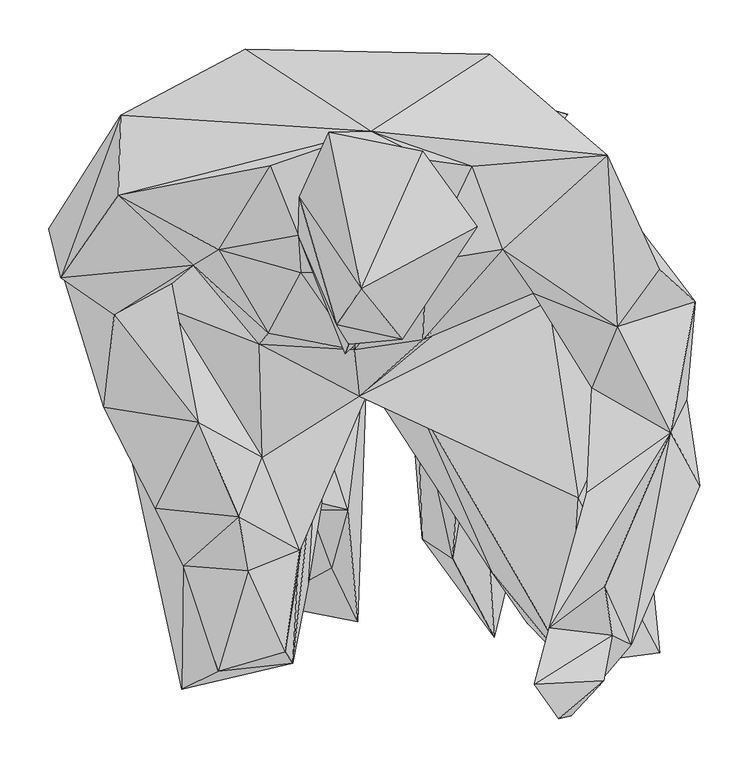
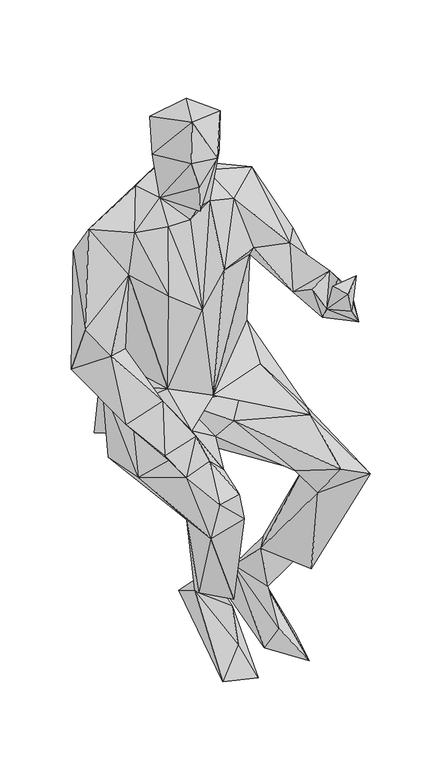
"""IFC4 building model written with IfcOpenShell, lengths in millimetres: geographic element geometry."""

from ifc_helpers import new_model, si_unit, origin, place, context, project, spatial, faceted_brep, source, transform, mapped, element, save


def geographic_element_f1001713(model_context):
    return source(origin(), model_context, "Body", "Brep", [
        faceted_brep([(172.0615604, 258.8738469, 990.7625791), (-32.4610132, 89.8290936, 728.9910822), (186.1853577, 298.4310352, 758.1711318), (32.85028, 147.4454385, 1056.8692554), (-37.2801679, 137.2381283, 963.6410356), (-134.457661, 142.9976803, 752.2099521), (-131.4001365, 27.1016561, 690.6930123), (191.3947588, -14.0195366, 653.1934061), (160.6735418, 186.4495105, 699.8765382), (-89.8082469, 137.297718, 693.4646282), (74.8175299, 135.271935, 677.8780734), (247.2842454, 101.9181969, 587.8771471), (274.8804356, -172.668291, 537.1643238), (180.6442715, -184.9043644, 591.2733005), (24.8872095, 85.5839167, 631.3974779), (-20.9766754, 99.9678957, 592.2315644), (102.7920606, -89.3544395, 556.8014315), (139.4049061, -142.148642, 508.2335409), (163.7916396, -17.4981055, 491.6241704), (6.3464273, 318.7175354, 443.5676878), (-164.3358151, -48.5877538, 499.8176334), (-93.1438196, -67.9994217, 615.4117508), (-155.6756328, -33.7797548, 719.2455441), (-145.6957292, -88.507383, 671.9059861), (-107.8773426, -171.4607754, 607.4844524), (-94.9848879, -90.0912646, 509.1411408), (-196.6687417, 62.8019191, 783.0613159), (-223.828, 177.6552774, 714.4025476), (-293.2414674, 78.4480339, 734.7108631), (-240.704459, -24.7680467, 683.3228384), (-282.858398, 173.0436512, 886.4332924), (-223.7137826, 204.745007, 870.0255644), (-216.4637122, -2.9582234, 647.5759069), (-212.085453, -83.4787031, 641.0775105), (-349.4904296, 261.0515622, 816.4120812), (-202.2048359, 223.6373248, 1076.8966542), (-337.4589044, 210.6852803, 964.9906039), (-228.2320531, 352.9431478, 995.0186487), (-207.3358123, 347.3971145, 761.2514402), (-148.8128435, 444.5160274, 1010.7391948), (-275.9310569, 377.0141257, 1085.6382713), (-278.4841324, 295.0726115, 1203.2441944), (-20.6152124, 360.4156926, 1293.5201962), (101.1764022, 439.3324202, 1059.4432223), (-14.7821799, 441.1933368, 838.7868897), (103.0879753, 398.3512472, 853.9851798), (-40.6872402, 438.5171478, 632.5831335), (221.4000347, 336.0051173, 1197.1609444), (190.5993647, 344.8708909, 1023.3754985), (180.8150835, 378.0736578, 479.1239739), (160.5374942, 350.786324, 708.727351), (-202.6000743, 399.4515191, 484.4197571), (131.9214685, 361.5189448, 502.3528275), (-147.6380956, 382.187779, 472.3952354), (193.293435, 250.8343129, 516.1548789), (-242.9159254, 287.3647475, 716.2942202), (-220.4814824, 295.3675353, 478.2888234), (-271.625277, 54.9431138, 580.1553654), (-210.3873912, -83.9235772, 510.8382043), (254.5968859, -58.511059, 490.6341373), (92.3881296, 52.9818938, 270.8934214), (56.9549866, 4.340515, 275.3709819), (155.7233016, -36.114357, 253.3615498), (150.3023785, -88.0704586, 236.3083333), (91.0664115, 84.8957513, 150.7412922), (67.1106643, -13.5021692, 165.3477082), (27.0112899, 89.5808477, 184.5895774), (63.3202858, -76.2047907, 74.9873435), (32.0568528, -55.8368408, 13.1258134), (13.8010716, 164.3149683, 108.6548851), (105.8992358, -156.6388737, 8.6661343), (136.4933683, -30.5037625, 9.514179), (-110.3579239, 49.3235843, 177.9233791), (-143.8447368, -27.9060077, 228.0056299), (-213.791487, -210.0557063, 530.5199558), (-176.664231, -191.5556467, 610.647194), (-100.1982826, -183.1030078, 536.1832314), (-84.41314, -102.5974291, 232.6321424), (-73.7698889, 63.8287134, 208.2136546), (-44.2760358, -26.4542044, 152.6300292), (-24.256637, 135.8985437, 129.7864749), (-103.2319727, 142.840786, 118.5930878), (-70.5882377, -19.639069, 204.8065786), (-33.958498, -140.476389, -4.7446768), (-60.5130002, -85.3297029, 75.2107715), (-127.6881977, -122.5056037, 4.9333516), (-125.3982916, 153.8107376, 1028.1023852), (-91.8747324, 215.9761313, 1193.8253494), (-175.9790458, 239.1652584, 1190.696344), (-26.3985951, 218.5520354, 1190.7142254), (36.2345125, 227.0573052, 1222.6707784), (-94.6502376, 253.9385228, 1260.4474866), (-123.480758, 325.3211637, 1264.9290405), (83.2949941, 324.5128353, 1242.8183402), (-63.2309086, 359.5080629, 1437.8257812), (38.6823225, 330.7619352, 1308.7919789), (114.1919927, 240.0480777, 1194.8432775), (231.1614723, 160.7986669, 1064.9068224), (274.487194, 219.1558006, 1060.2773297), (145.5765647, 194.8465234, 1058.2128632), (75.5384704, 247.9843169, 1353.2824349), (-7.2361779, 212.9345063, 1223.6986009), (-46.7744874, 132.7744855, 1276.8511614), (-43.0834139, 142.4743516, 1343.2340456), (11.8229639, 147.9916107, 1410.4400699), (88.2819657, 262.9641262, 1460.2849303), (-55.0920733, 162.5126282, 1407.6417511), (-93.5896847, 292.8392851, 1371.858103), (-30.3389203, 199.3876373, 1505.2550845), (32.8482944, 339.6733361, 1472.0532712), (205.1610921, 98.1973323, 959.5308781), (285.9447265, 52.4585688, 1024.8918407), (311.1427388, 186.1009575, 957.2310925), (302.4607263, 86.1251195, 883.4959159), (315.9112593, -1.9463303, 988.9353391), (245.6358194, -164.6426747, 1011.9289035), (226.0483773, -15.0373874, 942.9235342), (161.7221812, -146.8585562, 1069.590913), (218.4011015, -104.7304483, 1119.0684895), (226.360199, -154.8226308, 1100.1930101), (184.1893769, -236.9071216, 1110.146032), (200.0172263, -8.9888683, 1035.0633732), (146.7533093, -205.0617908, 1180.7949397), (217.5957534, -201.2545293, 1186.5435692), (171.4319715, -240.2059555, 1170.1218937)], [[[0, 1, 2]], [[0, 3, 1]], [[1, 4, 5]], [[5, 6, 1]], [[7, 8, 1]], [[9, 10, 1]], [[10, 7, 1]], [[1, 6, 9]], [[3, 4, 1]], [[8, 2, 1]], [[11, 8, 7]], [[11, 2, 8]], [[11, 7, 12]], [[12, 7, 13]], [[13, 7, 14]], [[7, 10, 14]], [[14, 10, 9]], [[14, 9, 15]], [[15, 9, 6]], [[15, 16, 14]], [[16, 13, 14]], [[12, 13, 17]], [[16, 17, 13]], [[18, 16, 15]], [[16, 18, 17]], [[19, 18, 15]], [[15, 20, 19]], [[15, 21, 20]], [[21, 15, 6]], [[21, 6, 22]], [[23, 24, 21]], [[24, 25, 21]], [[21, 25, 20]], [[21, 22, 23]], [[26, 6, 27]], [[6, 26, 22]], [[6, 5, 27]], [[28, 29, 26]], [[29, 22, 26]], [[28, 26, 30]], [[26, 27, 31]], [[31, 30, 26]], [[32, 29, 28]], [[22, 29, 33]], [[29, 32, 33]], [[27, 32, 28]], [[34, 27, 28]], [[28, 30, 34]], [[35, 30, 31]], [[36, 30, 35]], [[34, 30, 36]], [[37, 35, 31]], [[37, 31, 27]], [[27, 34, 37]], [[38, 35, 37]], [[37, 39, 38]], [[34, 40, 37]], [[40, 39, 37]], [[36, 40, 34]], [[41, 40, 36]], [[35, 41, 36]], [[40, 41, 42]], [[40, 42, 39]], [[43, 44, 39]], [[39, 42, 43]], [[38, 39, 44]], [[45, 44, 43]], [[38, 44, 46]], [[45, 46, 44]], [[47, 43, 42]], [[45, 43, 48]], [[43, 47, 48]], [[48, 0, 45]], [[45, 49, 46]], [[45, 50, 49]], [[45, 0, 50]], [[38, 46, 51]], [[46, 49, 51]], [[49, 50, 52]], [[49, 52, 53]], [[51, 49, 53]], [[50, 54, 52]], [[0, 2, 50]], [[2, 54, 50]], [[54, 19, 52]], [[19, 53, 52]], [[55, 53, 56]], [[19, 56, 53]], [[38, 51, 53]], [[55, 38, 53]], [[35, 38, 5]], [[38, 55, 5]], [[57, 27, 55]], [[55, 56, 57]], [[5, 55, 27]], [[57, 56, 58]], [[20, 56, 19]], [[56, 20, 58]], [[18, 19, 54]], [[59, 60, 18]], [[12, 18, 54]], [[18, 61, 17]], [[60, 61, 18]], [[18, 12, 59]], [[59, 62, 60]], [[12, 62, 59]], [[12, 17, 63]], [[54, 11, 12]], [[12, 63, 62]], [[2, 11, 54]], [[60, 62, 64]], [[65, 64, 62]], [[62, 61, 65]], [[61, 62, 63]], [[63, 17, 61]], [[61, 60, 66]], [[61, 66, 65]], [[64, 65, 67]], [[66, 67, 65]], [[68, 67, 66]], [[64, 69, 66]], [[64, 66, 60]], [[69, 68, 66]], [[68, 70, 67]], [[64, 67, 70]], [[71, 64, 70]], [[64, 71, 69]], [[69, 71, 68]], [[70, 68, 71]], [[58, 72, 73]], [[57, 58, 74]], [[58, 73, 74]], [[20, 72, 58]], [[32, 27, 57]], [[57, 74, 33]], [[32, 57, 33]], [[23, 33, 75]], [[74, 75, 33]], [[23, 22, 33]], [[23, 75, 24]], [[74, 76, 75]], [[24, 75, 76]], [[25, 24, 76]], [[76, 74, 77]], [[76, 77, 78]], [[76, 78, 25]], [[78, 20, 25]], [[72, 20, 78]], [[79, 80, 78]], [[81, 72, 78]], [[80, 81, 78]], [[78, 77, 82]], [[79, 78, 82]], [[77, 74, 73]], [[82, 77, 73]], [[82, 73, 79]], [[73, 72, 79]], [[79, 83, 80]], [[84, 79, 72]], [[79, 84, 83]], [[83, 81, 80]], [[72, 81, 85]], [[83, 85, 81]], [[84, 72, 85]], [[83, 84, 85]], [[4, 86, 5]], [[5, 86, 35]], [[87, 86, 4]], [[86, 88, 35]], [[88, 86, 87]], [[4, 89, 87]], [[90, 89, 4]], [[3, 90, 4]], [[87, 91, 88]], [[91, 87, 89]], [[91, 92, 88]], [[41, 88, 92]], [[88, 41, 35]], [[91, 42, 92]], [[92, 42, 41]], [[42, 93, 47]], [[94, 42, 91]], [[95, 42, 94]], [[93, 42, 95]], [[47, 93, 96]], [[96, 93, 90]], [[93, 95, 90]], [[97, 47, 96]], [[48, 47, 98]], [[98, 47, 97]], [[3, 96, 90]], [[96, 3, 99]], [[96, 99, 97]], [[100, 90, 95]], [[89, 90, 101]], [[100, 101, 90]], [[101, 100, 102]], [[91, 101, 102]], [[91, 89, 101]], [[91, 102, 103]], [[102, 100, 103]], [[100, 104, 103]], [[95, 105, 100]], [[105, 104, 100]], [[91, 103, 106]], [[104, 106, 103]], [[107, 91, 106]], [[94, 91, 107]], [[107, 106, 108]], [[106, 104, 108]], [[105, 108, 104]], [[105, 109, 108]], [[109, 105, 95]], [[109, 95, 94]], [[108, 109, 94]], [[94, 107, 108]], [[110, 97, 99]], [[110, 111, 97]], [[97, 111, 112]], [[112, 98, 97]], [[0, 99, 3]], [[99, 0, 110]], [[113, 0, 48]], [[113, 110, 0]], [[113, 48, 112]], [[48, 98, 112]], [[111, 113, 112]], [[114, 115, 113]], [[115, 116, 113]], [[113, 111, 114]], [[110, 113, 116]], [[111, 115, 114]], [[117, 116, 115]], [[111, 118, 115]], [[118, 119, 115]], [[117, 115, 120]], [[120, 115, 119]], [[117, 121, 116]], [[110, 116, 121]], [[121, 117, 111]], [[121, 111, 110]], [[117, 118, 111]], [[117, 119, 118]], [[117, 122, 119]], [[119, 122, 123]], [[123, 120, 119]], [[123, 124, 120]], [[117, 120, 124]], [[124, 122, 117]], [[122, 124, 123]]]),
    ])


if __name__ == "__main__":
    model = new_model("IFC4")
    model_context = context("Model", 3, world=origin())
    ifc_project = project(units=[si_unit("LENGTHUNIT", "METRE", prefix="MILLI")], contexts=[model_context])
    site = spatial("IfcSite", under=ifc_project)
    building = spatial("IfcBuilding", under=site)
    placement = place(None, origin())
    geographic_element_shape = geographic_element_f1001713(model_context)
    element("IfcGeographicElement", 1, at=placement, inside=building, context=model_context, shape_type="MappedRepresentation", body=[
        mapped(geographic_element_shape, transform((0.0, 0.0, 0.0), x_axis=(1.0, 0.0, 0.0), y_axis=(0.0, 1.0, 0.0), z_axis=(0.0, 0.0, 1.0))),
    ])
    save(model, "model.ifc")
